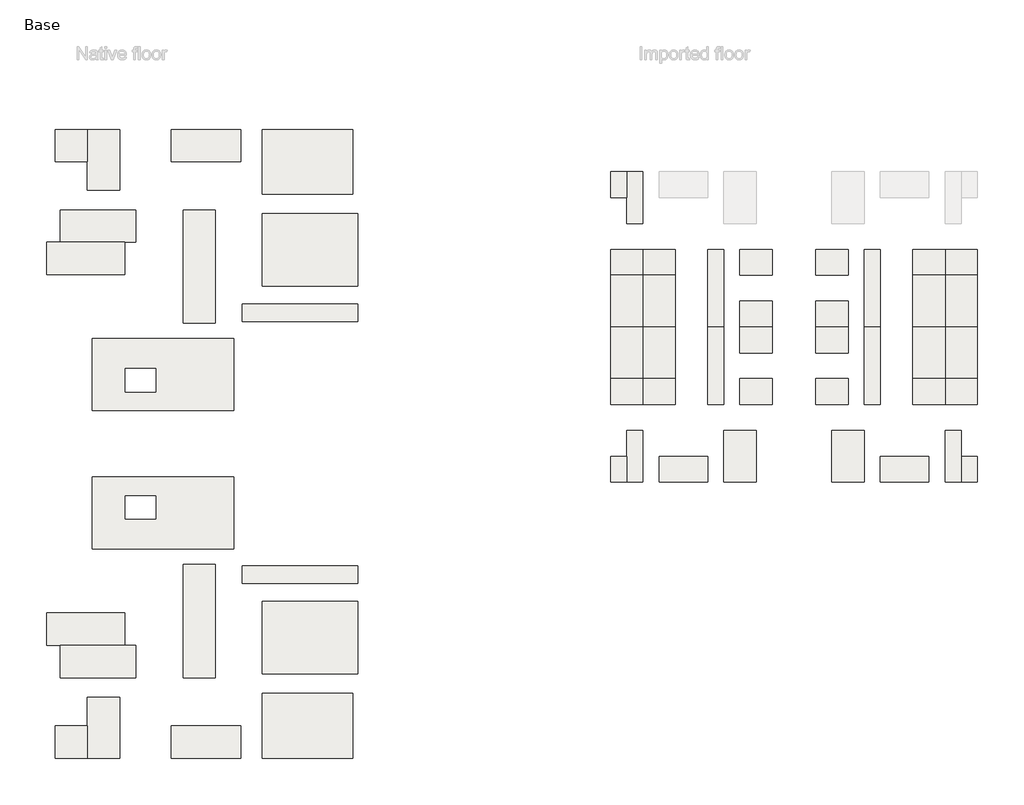
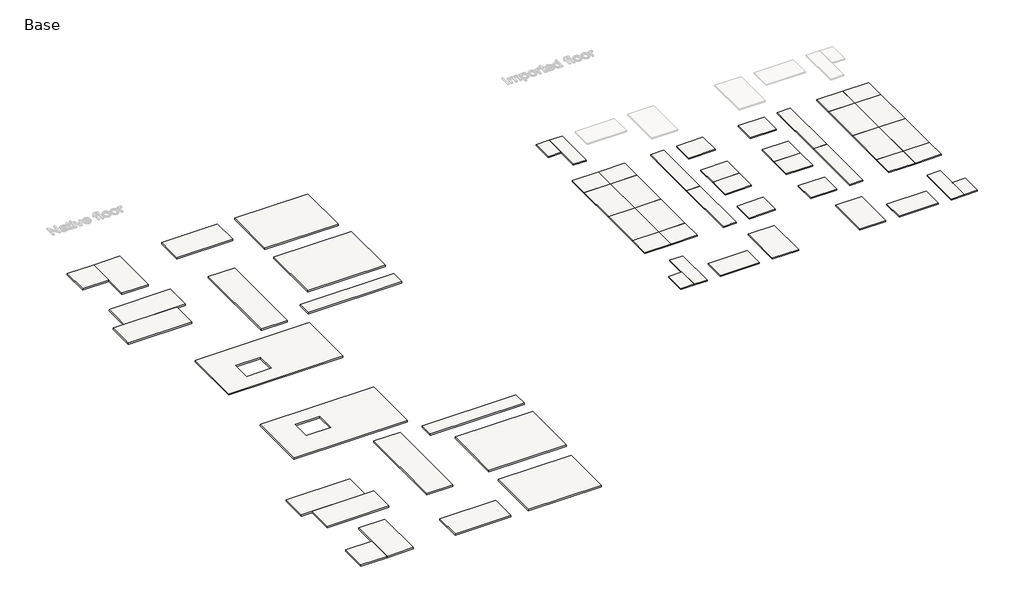
# One storey, part 1 of 3: 58 slabs.
"""IFC4 building model written with IfcOpenShell, lengths in millimetres."""

from ifc_helpers import new_model, si_unit, frame, origin, place, context, project, spatial, polyline, outline, extrude, faceted_brep, element, save

model = new_model("IFC4")

# Units and contexts
model_context = context("Model", 3, world=origin())
ifc_project = project(units=[si_unit("LENGTHUNIT", "METRE", prefix="MILLI")], contexts=[model_context])

# Site, building, storey
site = spatial("IfcSite", under=ifc_project)
building = spatial("IfcBuilding", under=site)
storey = spatial("IfcBuildingStorey", under=building, Name="Base", Elevation=0.0)

# Slabs
placement = place(None, origin())
element("IfcSlab", 1, ObjectType="200mm Conc25 RC_SLAB", at=placement, inside=storey, context=model_context, shape_type="SweptSolid", body=[
    extrude(outline(polyline([(539421.9483934, 4611.8410567), (536921.9483934, 4611.8410567), (536921.9483934, 8611.8410567), (539421.9483934, 8611.8410567), (539421.9483934, 4611.8410567)])), frame((0.0, 0.0, -200.0), z_axis=(0.0, 0.0, 1.0), x_axis=(1.0, 0.0, 0.0)), (0.0, 0.0, 1.0), 200.0),
])
element("IfcSlab", 2, ObjectType="200mm Conc25 RC_SLAB", at=placement, inside=storey, context=model_context, shape_type="Brep", body=[
    faceted_brep([(541921.9483934, 611.8410567, -200.0), (539421.9483934, 611.8410567, -200.0), (539421.9483934, 4611.8410567, -200.0), (539421.9483934, 8611.8410567, -200.0), (541921.9483934, 8611.8410567, -200.0), (541921.9483934, 611.8410567, 0.0), (541921.9483934, 8611.8410567, 0.0), (539421.9483934, 8611.8410567, 0.0), (539421.9483934, 4611.8410567, 0.0), (539421.9483934, 611.8410567, 0.0)], [[[0, 1, 2, 3, 4]], [[5, 6, 7, 8, 9]], [[1, 0, 5, 9]], [[3, 2, 1, 9, 8, 7]], [[4, 3, 7, 6]], [[0, 4, 6, 5]]]),
])
element("IfcSlab", 3, ObjectType="200mm Conc25 RC_SLAB", at=placement, inside=storey, context=model_context, shape_type="SweptSolid", body=[
    extrude(outline(polyline([(541921.9483934, -7388.1589433), (536921.9483934, -7388.1589433), (536921.9483934, -3388.1589433), (541921.9483934, -3388.1589433), (541921.9483934, -7388.1589433)])), frame((0.0, 0.0, -200.0), z_axis=(0.0, 0.0, 1.0), x_axis=(1.0, 0.0, 0.0)), (0.0, 0.0, 1.0), 200.0),
])
element("IfcSlab", 4, ObjectType="200mm Conc25 RC_SLAB", at=placement, inside=storey, context=model_context, shape_type="SweptSolid", body=[
    extrude(outline(polyline([(546921.9483934, -7388.1589433), (541921.9483934, -7388.1589433), (541921.9483934, -3388.1589433), (546921.9483934, -3388.1589433), (546921.9483934, -7388.1589433)])), frame((0.0, 0.0, -200.0), z_axis=(0.0, 0.0, 1.0), x_axis=(1.0, 0.0, 0.0)), (0.0, 0.0, 1.0), 200.0),
])
element("IfcSlab", 5, ObjectType="200mm Conc25 RC_SLAB", at=placement, inside=storey, context=model_context, shape_type="SweptSolid", body=[
    extrude(outline(polyline([(541921.9483934, -15388.1589433), (541921.9483934, -7388.1589433), (546921.9483934, -7388.1589433), (546921.9483934, -15388.1589433), (541921.9483934, -15388.1589433)])), frame((0.0, 0.0, -200.0), z_axis=(0.0, 0.0, 1.0), x_axis=(1.0, 0.0, 0.0)), (0.0, 0.0, 1.0), 200.0),
])
element("IfcSlab", 6, ObjectType="200mm Conc25 RC_SLAB", at=placement, inside=storey, context=model_context, shape_type="SweptSolid", body=[
    extrude(outline(polyline([(541921.9483934, -15388.1589433), (536921.9483934, -15388.1589433), (536921.9483934, -7388.1589433), (541921.9483934, -7388.1589433), (541921.9483934, -15388.1589433)])), frame((0.0, 0.0, -200.0), z_axis=(0.0, 0.0, 1.0), x_axis=(1.0, 0.0, 0.0)), (0.0, 0.0, 1.0), 200.0),
])
element("IfcSlab", 7, ObjectType="200mm Conc25 RC_SLAB", at=placement, inside=storey, context=model_context, shape_type="SweptSolid", body=[
    extrude(outline(polyline([(554421.9483934, -15388.1589433), (551921.9483934, -15388.1589433), (551921.9483934, -3388.1589433), (554421.9483934, -3388.1589433), (554421.9483934, -15388.1589433)])), frame((0.0, 0.0, -200.0), z_axis=(0.0, 0.0, 1.0), x_axis=(1.0, 0.0, 0.0)), (0.0, 0.0, 1.0), 200.0),
])
element("IfcSlab", 8, ObjectType="200mm Conc25 RC_SLAB", at=placement, inside=storey, context=model_context, shape_type="SweptSolid", body=[
    extrude(outline(polyline([(561921.9483934, -7388.1589433), (556921.9483934, -7388.1589433), (556921.9483934, -3388.1589433), (561921.9483934, -3388.1589433), (561921.9483934, -7388.1589433)])), frame((0.0, 0.0, -200.0), z_axis=(0.0, 0.0, 1.0), x_axis=(1.0, 0.0, 0.0)), (0.0, 0.0, 1.0), 200.0),
])
element("IfcSlab", 9, ObjectType="200mm Conc25 RC_SLAB", at=placement, inside=storey, context=model_context, shape_type="SweptSolid", body=[
    extrude(outline(polyline([(561921.9483934, -15388.1589433), (556921.9483934, -15388.1589433), (556921.9483934, -11388.1589433), (561921.9483934, -11388.1589433), (561921.9483934, -15388.1589433)])), frame((0.0, 0.0, -200.0), z_axis=(0.0, 0.0, 1.0), x_axis=(1.0, 0.0, 0.0)), (0.0, 0.0, 1.0), 200.0),
])
element("IfcSlab", 10, ObjectType="200mm Conc25 RC_SLAB", at=placement, inside=storey, context=model_context, shape_type="SweptSolid", body=[
    extrude(outline(polyline([(588636.3880595, -7388.1589433), (588636.3880595, -3388.1589433), (593636.3880595, -3388.1589433), (593636.3880595, -7388.1589433), (588636.3880595, -7388.1589433)])), frame((0.0, 0.0, -200.0), z_axis=(0.0, 0.0, 1.0), x_axis=(1.0, 0.0, 0.0)), (0.0, 0.0, 1.0), 200.0),
])
element("IfcSlab", 11, ObjectType="200mm Conc25 RC_SLAB", at=placement, inside=storey, context=model_context, shape_type="SweptSolid", body=[
    extrude(outline(polyline([(583636.3880595, -7388.1589433), (583636.3880595, -3388.1589433), (588636.3880595, -3388.1589433), (588636.3880595, -7388.1589433), (583636.3880595, -7388.1589433)])), frame((0.0, 0.0, -200.0), z_axis=(0.0, 0.0, 1.0), x_axis=(1.0, 0.0, 0.0)), (0.0, 0.0, 1.0), 200.0),
])
element("IfcSlab", 12, ObjectType="200mm Conc25 RC_SLAB", at=placement, inside=storey, context=model_context, shape_type="SweptSolid", body=[
    extrude(outline(polyline([(588636.3880595, -15388.1589433), (583636.3880595, -15388.1589433), (583636.3880595, -7388.1589433), (588636.3880595, -7388.1589433), (588636.3880595, -15388.1589433)])), frame((0.0, 0.0, -200.0), z_axis=(0.0, 0.0, 1.0), x_axis=(1.0, 0.0, 0.0)), (0.0, 0.0, 1.0), 200.0),
])
element("IfcSlab", 13, ObjectType="200mm Conc25 RC_SLAB", at=placement, inside=storey, context=model_context, shape_type="SweptSolid", body=[
    extrude(outline(polyline([(588636.3880595, -15388.1589433), (588636.3880595, -7388.1589433), (593636.3880595, -7388.1589433), (593636.3880595, -15388.1589433), (588636.3880595, -15388.1589433)])), frame((0.0, 0.0, -200.0), z_axis=(0.0, 0.0, 1.0), x_axis=(1.0, 0.0, 0.0)), (0.0, 0.0, 1.0), 200.0),
])
element("IfcSlab", 14, ObjectType="200mm Conc25 RC_SLAB", at=placement, inside=storey, context=model_context, shape_type="SweptSolid", body=[
    extrude(outline(polyline([(576136.3880595, -15388.1589433), (576136.3880595, -3388.1589433), (578636.3880595, -3388.1589433), (578636.3880595, -15388.1589433), (576136.3880595, -15388.1589433)])), frame((0.0, 0.0, -200.0), z_axis=(0.0, 0.0, 1.0), x_axis=(1.0, 0.0, 0.0)), (0.0, 0.0, 1.0), 200.0),
])
element("IfcSlab", 15, ObjectType="200mm Conc25 RC_SLAB", at=placement, inside=storey, context=model_context, shape_type="SweptSolid", body=[
    extrude(outline(polyline([(568636.3880595, -7388.1589433), (568636.3880595, -3388.1589433), (573636.3880595, -3388.1589433), (573636.3880595, -7388.1589433), (568636.3880595, -7388.1589433)])), frame((0.0, 0.0, -200.0), z_axis=(0.0, 0.0, 1.0), x_axis=(1.0, 0.0, 0.0)), (0.0, 0.0, 1.0), 200.0),
])
element("IfcSlab", 16, ObjectType="200mm Conc25 RC_SLAB", at=placement, inside=storey, context=model_context, shape_type="SweptSolid", body=[
    extrude(outline(polyline([(568636.3880595, -15388.1589433), (568636.3880595, -11388.1589433), (573636.3880595, -11388.1589433), (573636.3880595, -15388.1589433), (568636.3880595, -15388.1589433)])), frame((0.0, 0.0, -200.0), z_axis=(0.0, 0.0, 1.0), x_axis=(1.0, 0.0, 0.0)), (0.0, 0.0, 1.0), 200.0),
])
element("IfcSlab", 17, ObjectType="200mm Conc25 RC_SLAB", at=placement, inside=storey, context=model_context, shape_type="SweptSolid", body=[
    extrude(outline(polyline([(539421.9483934, -35388.1589433), (539421.9483934, -39388.1589433), (536921.9483934, -39388.1589433), (536921.9483934, -35388.1589433), (539421.9483934, -35388.1589433)])), frame((0.0, 0.0, -200.0), z_axis=(0.0, 0.0, 1.0), x_axis=(1.0, 0.0, 0.0)), (0.0, 0.0, 1.0), 200.0),
])
element("IfcSlab", 18, ObjectType="200mm Conc25 RC_SLAB", at=placement, inside=storey, context=model_context, shape_type="Brep", body=[
    faceted_brep([(541921.9483934, -31388.1589433, -200.0), (541921.9483934, -39388.1589433, -200.0), (539421.9483934, -39388.1589433, -200.0), (539421.9483934, -35388.1589433, -200.0), (539421.9483934, -31388.1589433, -200.0), (541921.9483934, -31388.1589433, 0.0), (539421.9483934, -31388.1589433, 0.0), (539421.9483934, -35388.1589433, 0.0), (539421.9483934, -39388.1589433, 0.0), (541921.9483934, -39388.1589433, 0.0)], [[[0, 1, 2, 3, 4]], [[5, 6, 7, 8, 9]], [[0, 4, 6, 5]], [[4, 3, 2, 8, 7, 6]], [[2, 1, 9, 8]], [[1, 0, 5, 9]]]),
])
element("IfcSlab", 19, ObjectType="200mm Conc25 RC_SLAB", at=placement, inside=storey, context=model_context, shape_type="SweptSolid", body=[
    extrude(outline(polyline([(551921.9483934, -35388.1589433), (551921.9483934, -39388.1589433), (544421.9483934, -39388.1589433), (544421.9483934, -35388.1589433), (551921.9483934, -35388.1589433)])), frame((0.0, 0.0, -200.0), z_axis=(0.0, 0.0, 1.0), x_axis=(1.0, 0.0, 0.0)), (0.0, 0.0, 1.0), 200.0),
])
element("IfcSlab", 20, ObjectType="200mm Conc25 RC_SLAB", at=placement, inside=storey, context=model_context, shape_type="SweptSolid", body=[
    extrude(outline(polyline([(554421.9483934, -31388.1589433), (559421.9483934, -31388.1589433), (559421.9483934, -39388.1589433), (554421.9483934, -39388.1589433), (554421.9483934, -31388.1589433)])), frame((0.0, 0.0, -200.0), z_axis=(0.0, 0.0, 1.0), x_axis=(1.0, 0.0, 0.0)), (0.0, 0.0, 1.0), 200.0),
])
element("IfcSlab", 21, ObjectType="200mm Conc25 RC_SLAB", at=placement, inside=storey, context=model_context, shape_type="SweptSolid", body=[
    extrude(outline(polyline([(541921.9483934, -23388.1589433), (541921.9483934, -27388.1589433), (536921.9483934, -27388.1589433), (536921.9483934, -23388.1589433), (541921.9483934, -23388.1589433)])), frame((0.0, 0.0, -200.0), z_axis=(0.0, 0.0, 1.0), x_axis=(1.0, 0.0, 0.0)), (0.0, 0.0, 1.0), 200.0),
])
element("IfcSlab", 22, ObjectType="200mm Conc25 RC_SLAB", at=placement, inside=storey, context=model_context, shape_type="SweptSolid", body=[
    extrude(outline(polyline([(546921.9483934, -23388.1589433), (546921.9483934, -27388.1589433), (541921.9483934, -27388.1589433), (541921.9483934, -23388.1589433), (546921.9483934, -23388.1589433)])), frame((0.0, 0.0, -200.0), z_axis=(0.0, 0.0, 1.0), x_axis=(1.0, 0.0, 0.0)), (0.0, 0.0, 1.0), 200.0),
])
element("IfcSlab", 23, ObjectType="200mm Conc25 RC_SLAB", at=placement, inside=storey, context=model_context, shape_type="SweptSolid", body=[
    extrude(outline(polyline([(541921.9483934, -15388.1589433), (546921.9483934, -15388.1589433), (546921.9483934, -23388.1589433), (541921.9483934, -23388.1589433), (541921.9483934, -15388.1589433)])), frame((0.0, 0.0, -200.0), z_axis=(0.0, 0.0, 1.0), x_axis=(1.0, 0.0, 0.0)), (0.0, 0.0, 1.0), 200.0),
])
element("IfcSlab", 24, ObjectType="200mm Conc25 RC_SLAB", at=placement, inside=storey, context=model_context, shape_type="SweptSolid", body=[
    extrude(outline(polyline([(541921.9483934, -15388.1589433), (541921.9483934, -23388.1589433), (536921.9483934, -23388.1589433), (536921.9483934, -15388.1589433), (541921.9483934, -15388.1589433)])), frame((0.0, 0.0, -200.0), z_axis=(0.0, 0.0, 1.0), x_axis=(1.0, 0.0, 0.0)), (0.0, 0.0, 1.0), 200.0),
])
element("IfcSlab", 25, ObjectType="200mm Conc25 RC_SLAB", at=placement, inside=storey, context=model_context, shape_type="SweptSolid", body=[
    extrude(outline(polyline([(554421.9483934, -15388.1589433), (554421.9483934, -27388.1589433), (551921.9483934, -27388.1589433), (551921.9483934, -15388.1589433), (554421.9483934, -15388.1589433)])), frame((0.0, 0.0, -200.0), z_axis=(0.0, 0.0, 1.0), x_axis=(1.0, 0.0, 0.0)), (0.0, 0.0, 1.0), 200.0),
])
element("IfcSlab", 26, ObjectType="200mm Conc25 RC_SLAB", at=placement, inside=storey, context=model_context, shape_type="SweptSolid", body=[
    extrude(outline(polyline([(561921.9483934, -23388.1589433), (561921.9483934, -27388.1589433), (556921.9483934, -27388.1589433), (556921.9483934, -23388.1589433), (561921.9483934, -23388.1589433)])), frame((0.0, 0.0, -200.0), z_axis=(0.0, 0.0, 1.0), x_axis=(1.0, 0.0, 0.0)), (0.0, 0.0, 1.0), 200.0),
])
element("IfcSlab", 27, ObjectType="200mm Conc25 RC_SLAB", at=placement, inside=storey, context=model_context, shape_type="SweptSolid", body=[
    extrude(outline(polyline([(561921.9483934, -15388.1589433), (561921.9483934, -19388.1589433), (556921.9483934, -19388.1589433), (556921.9483934, -15388.1589433), (561921.9483934, -15388.1589433)])), frame((0.0, 0.0, -200.0), z_axis=(0.0, 0.0, 1.0), x_axis=(1.0, 0.0, 0.0)), (0.0, 0.0, 1.0), 200.0),
])
element("IfcSlab", 28, ObjectType="200mm Conc25 RC_SLAB", at=placement, inside=storey, context=model_context, shape_type="SweptSolid", body=[
    extrude(outline(polyline([(591136.3880595, -35388.1589433), (593636.3880595, -35388.1589433), (593636.3880595, -39388.1589433), (591136.3880595, -39388.1589433), (591136.3880595, -35388.1589433)])), frame((0.0, 0.0, -200.0), z_axis=(0.0, 0.0, 1.0), x_axis=(1.0, 0.0, 0.0)), (0.0, 0.0, 1.0), 200.0),
])
element("IfcSlab", 29, ObjectType="200mm Conc25 RC_SLAB", at=placement, inside=storey, context=model_context, shape_type="Brep", body=[
    faceted_brep([(588636.3880595, -31388.1589433, -200.0), (591136.3880595, -31388.1589433, -200.0), (591136.3880595, -35388.1589433, -200.0), (591136.3880595, -39388.1589433, -200.0), (588636.3880595, -39388.1589433, -200.0), (588636.3880595, -31388.1589433, 0.0), (588636.3880595, -39388.1589433, 0.0), (591136.3880595, -39388.1589433, 0.0), (591136.3880595, -35388.1589433, 0.0), (591136.3880595, -31388.1589433, 0.0)], [[[0, 1, 2, 3, 4]], [[5, 6, 7, 8, 9]], [[1, 0, 5, 9]], [[3, 2, 1, 9, 8, 7]], [[4, 3, 7, 6]], [[0, 4, 6, 5]]]),
])
element("IfcSlab", 30, ObjectType="200mm Conc25 RC_SLAB", at=placement, inside=storey, context=model_context, shape_type="SweptSolid", body=[
    extrude(outline(polyline([(578636.3880595, -35388.1589433), (586136.3880595, -35388.1589433), (586136.3880595, -39388.1589433), (578636.3880595, -39388.1589433), (578636.3880595, -35388.1589433)])), frame((0.0, 0.0, -200.0), z_axis=(0.0, 0.0, 1.0), x_axis=(1.0, 0.0, 0.0)), (0.0, 0.0, 1.0), 200.0),
])
element("IfcSlab", 31, ObjectType="200mm Conc25 RC_SLAB", at=placement, inside=storey, context=model_context, shape_type="SweptSolid", body=[
    extrude(outline(polyline([(576136.3880595, -31388.1589433), (576136.3880595, -39388.1589433), (571136.3880595, -39388.1589433), (571136.3880595, -31388.1589433), (576136.3880595, -31388.1589433)])), frame((0.0, 0.0, -200.0), z_axis=(0.0, 0.0, 1.0), x_axis=(1.0, 0.0, 0.0)), (0.0, 0.0, 1.0), 200.0),
])
element("IfcSlab", 32, ObjectType="200mm Conc25 RC_SLAB", at=placement, inside=storey, context=model_context, shape_type="SweptSolid", body=[
    extrude(outline(polyline([(588636.3880595, -23388.1589433), (593636.3880595, -23388.1589433), (593636.3880595, -27388.1589433), (588636.3880595, -27388.1589433), (588636.3880595, -23388.1589433)])), frame((0.0, 0.0, -200.0), z_axis=(0.0, 0.0, 1.0), x_axis=(1.0, 0.0, 0.0)), (0.0, 0.0, 1.0), 200.0),
])
element("IfcSlab", 33, ObjectType="200mm Conc25 RC_SLAB", at=placement, inside=storey, context=model_context, shape_type="SweptSolid", body=[
    extrude(outline(polyline([(583636.3880595, -23388.1589433), (588636.3880595, -23388.1589433), (588636.3880595, -27388.1589433), (583636.3880595, -27388.1589433), (583636.3880595, -23388.1589433)])), frame((0.0, 0.0, -200.0), z_axis=(0.0, 0.0, 1.0), x_axis=(1.0, 0.0, 0.0)), (0.0, 0.0, 1.0), 200.0),
])
element("IfcSlab", 34, ObjectType="200mm Conc25 RC_SLAB", at=placement, inside=storey, context=model_context, shape_type="SweptSolid", body=[
    extrude(outline(polyline([(588636.3880595, -15388.1589433), (588636.3880595, -23388.1589433), (583636.3880595, -23388.1589433), (583636.3880595, -15388.1589433), (588636.3880595, -15388.1589433)])), frame((0.0, 0.0, -200.0), z_axis=(0.0, 0.0, 1.0), x_axis=(1.0, 0.0, 0.0)), (0.0, 0.0, 1.0), 200.0),
])
element("IfcSlab", 35, ObjectType="200mm Conc25 RC_SLAB", at=placement, inside=storey, context=model_context, shape_type="SweptSolid", body=[
    extrude(outline(polyline([(588636.3880595, -15388.1589433), (593636.3880595, -15388.1589433), (593636.3880595, -23388.1589433), (588636.3880595, -23388.1589433), (588636.3880595, -15388.1589433)])), frame((0.0, 0.0, -200.0), z_axis=(0.0, 0.0, 1.0), x_axis=(1.0, 0.0, 0.0)), (0.0, 0.0, 1.0), 200.0),
])
element("IfcSlab", 36, ObjectType="200mm Conc25 RC_SLAB", at=placement, inside=storey, context=model_context, shape_type="SweptSolid", body=[
    extrude(outline(polyline([(576136.3880595, -15388.1589433), (578636.3880595, -15388.1589433), (578636.3880595, -27388.1589433), (576136.3880595, -27388.1589433), (576136.3880595, -15388.1589433)])), frame((0.0, 0.0, -200.0), z_axis=(0.0, 0.0, 1.0), x_axis=(1.0, 0.0, 0.0)), (0.0, 0.0, 1.0), 200.0),
])
element("IfcSlab", 37, ObjectType="200mm Conc25 RC_SLAB", at=placement, inside=storey, context=model_context, shape_type="SweptSolid", body=[
    extrude(outline(polyline([(568636.3880595, -23388.1589433), (573636.3880595, -23388.1589433), (573636.3880595, -27388.1589433), (568636.3880595, -27388.1589433), (568636.3880595, -23388.1589433)])), frame((0.0, 0.0, -200.0), z_axis=(0.0, 0.0, 1.0), x_axis=(1.0, 0.0, 0.0)), (0.0, 0.0, 1.0), 200.0),
])
element("IfcSlab", 38, ObjectType="200mm Conc25 RC_SLAB", at=placement, inside=storey, context=model_context, shape_type="SweptSolid", body=[
    extrude(outline(polyline([(568636.3880595, -15388.1589433), (573636.3880595, -15388.1589433), (573636.3880595, -19388.1589433), (568636.3880595, -19388.1589433), (568636.3880595, -15388.1589433)])), frame((0.0, 0.0, -200.0), z_axis=(0.0, 0.0, 1.0), x_axis=(1.0, 0.0, 0.0)), (0.0, 0.0, 1.0), 200.0),
])
element("IfcSlab", 39, ObjectType="Generic 300mm", at=placement, inside=storey, context=model_context, shape_type="SweptSolid", body=[
    extrude(outline(polyline([(456066.413896, 15157.1407509), (456066.413896, 10157.1407509), (451066.413896, 10157.1407509), (451066.413896, 15157.1407509), (456066.413896, 15157.1407509)])), frame((0.0, 0.0, -300.0), z_axis=(0.0, 0.0, 1.0), x_axis=(1.0, 0.0, 0.0)), (0.0, 0.0, 1.0), 300.0),
])
element("IfcSlab", 40, ObjectType="Generic 300mm", at=placement, inside=storey, context=model_context, shape_type="SweptSolid", body=[
    extrude(outline(polyline([(461066.413896, 15157.1407509), (461066.413896, 5757.1407509), (456066.413896, 5757.1407509), (456066.413896, 15157.1407509), (461066.413896, 15157.1407509)])), frame((0.0, 0.0, -300.0), z_axis=(0.0, 0.0, 1.0), x_axis=(1.0, 0.0, 0.0)), (0.0, 0.0, 1.0), 300.0),
])
element("IfcSlab", 41, ObjectType="Generic 300mm", at=placement, inside=storey, context=model_context, shape_type="SweptSolid", body=[
    extrude(outline(polyline([(479766.413896, 15157.1407509), (479766.413896, 10157.1407509), (469066.413896, 10157.1407509), (469066.413896, 15157.1407509), (479766.413896, 15157.1407509)])), frame((0.0, 0.0, -300.0), z_axis=(0.0, 0.0, 1.0), x_axis=(1.0, 0.0, 0.0)), (0.0, 0.0, 1.0), 300.0),
])
element("IfcSlab", 42, ObjectType="Generic 300mm", at=placement, inside=storey, context=model_context, shape_type="SweptSolid", body=[
    extrude(outline(polyline([(497066.413896, 15157.1407509), (497066.413896, 5157.1407509), (483066.413896, 5157.1407509), (483066.413896, 15157.1407509), (497066.413896, 15157.1407509)])), frame((0.0, 0.0, -300.0), z_axis=(0.0, 0.0, 1.0), x_axis=(1.0, 0.0, 0.0)), (0.0, 0.0, 1.0), 300.0),
])
element("IfcSlab", 43, ObjectType="Generic 300mm", at=placement, inside=storey, context=model_context, shape_type="SweptSolid", body=[
    extrude(outline(polyline([(497866.413896, 2157.1407509), (497866.413896, -9042.8592491), (483066.413896, -9042.8592491), (483066.413896, 2157.1407509), (497866.413896, 2157.1407509)])), frame((0.0, 0.0, -300.0), z_axis=(0.0, 0.0, 1.0), x_axis=(1.0, 0.0, 0.0)), (0.0, 0.0, 1.0), 300.0),
])
element("IfcSlab", 44, ObjectType="Generic 300mm", at=placement, inside=storey, context=model_context, shape_type="SweptSolid", body=[
    extrude(outline(polyline([(497866.413896, -11842.8592491), (497866.413896, -14542.8592491), (479966.413896, -14542.8592491), (479966.413896, -11842.8592491), (497866.413896, -11842.8592491)])), frame((0.0, 0.0, -300.0), z_axis=(0.0, 0.0, 1.0), x_axis=(1.0, 0.0, 0.0)), (0.0, 0.0, 1.0), 300.0),
])
element("IfcSlab", 45, ObjectType="Generic 300mm", at=placement, inside=storey, context=model_context, shape_type="SweptSolid", body=[
    extrude(outline(polyline([(475853.4493119, 2711.9851702), (475853.4493119, -14788.0148298), (470853.4493119, -14788.0148298), (470853.4493119, 2711.9851702), (475853.4493119, 2711.9851702)])), frame((0.0, 0.0, -300.0), z_axis=(0.0, 0.0, 1.0), x_axis=(1.0, 0.0, 0.0)), (0.0, 0.0, 1.0), 300.0),
])
element("IfcSlab", 46, ObjectType="Generic 300mm", at=placement, inside=storey, context=model_context, shape_type="SweptSolid", body=[
    extrude(outline(polyline([(463553.4493119, 2711.9851702), (463553.4493119, -2288.0148298), (451853.4493119, -2288.0148298), (451853.4493119, 2711.9851702), (463553.4493119, 2711.9851702)])), frame((0.0, 0.0, -300.0), z_axis=(0.0, 0.0, 1.0), x_axis=(1.0, 0.0, 0.0)), (0.0, 0.0, 1.0), 300.0),
])
element("IfcSlab", 47, ObjectType="Generic 300mm", at=placement, inside=storey, context=model_context, shape_type="SweptSolid", body=[
    extrude(outline(polyline([(461853.4493119, -2288.0148298), (461853.4493119, -7288.0148298), (449753.4493119, -7288.0148298), (449753.4493119, -2288.0148298), (461853.4493119, -2288.0148298)])), frame((0.0, 0.0, -300.0), z_axis=(0.0, 0.0, 1.0), x_axis=(1.0, 0.0, 0.0)), (0.0, 0.0, 1.0), 300.0),
])
element("IfcSlab", 48, ObjectType="Generic 300mm", at=placement, inside=storey, context=model_context, shape_type="SweptSolid", body=[
    extrude(outline(polyline([(478653.4493119, -17188.0148298), (478653.4493119, -28288.0148298), (456853.4493119, -28288.0148298), (456853.4493119, -17188.0148298), (478653.4493119, -17188.0148298)]), holes=[polyline([(466615.6395933, -21809.7778349), (461915.6395933, -21809.7778349), (461915.6395933, -25409.7778349), (466615.6395933, -25409.7778349), (466615.6395933, -21809.7778349)])]), frame((0.0, 0.0, -300.0), z_axis=(0.0, 0.0, 1.0), x_axis=(1.0, 0.0, 0.0)), (0.0, 0.0, 1.0), 300.0),
])
element("IfcSlab", 49, ObjectType="Generic 300mm", at=placement, inside=storey, context=model_context, shape_type="SweptSolid", body=[
    extrude(outline(polyline([(456066.413896, -82061.3486343), (451066.413896, -82061.3486343), (451066.413896, -77061.3486343), (456066.413896, -77061.3486343), (456066.413896, -82061.3486343)])), frame((0.0, 0.0, -300.0), z_axis=(0.0, 0.0, 1.0), x_axis=(1.0, 0.0, 0.0)), (0.0, 0.0, 1.0), 300.0),
])
element("IfcSlab", 50, ObjectType="Generic 300mm", at=placement, inside=storey, context=model_context, shape_type="SweptSolid", body=[
    extrude(outline(polyline([(461066.413896, -82061.3486343), (456066.413896, -82061.3486343), (456066.413896, -72661.3486343), (461066.413896, -72661.3486343), (461066.413896, -82061.3486343)])), frame((0.0, 0.0, -300.0), z_axis=(0.0, 0.0, 1.0), x_axis=(1.0, 0.0, 0.0)), (0.0, 0.0, 1.0), 300.0),
])
element("IfcSlab", 51, ObjectType="Generic 300mm", at=placement, inside=storey, context=model_context, shape_type="SweptSolid", body=[
    extrude(outline(polyline([(479766.413896, -82061.3486343), (469066.413896, -82061.3486343), (469066.413896, -77061.3486343), (479766.413896, -77061.3486343), (479766.413896, -82061.3486343)])), frame((0.0, 0.0, -300.0), z_axis=(0.0, 0.0, 1.0), x_axis=(1.0, 0.0, 0.0)), (0.0, 0.0, 1.0), 300.0),
])
element("IfcSlab", 52, ObjectType="Generic 300mm", at=placement, inside=storey, context=model_context, shape_type="SweptSolid", body=[
    extrude(outline(polyline([(497066.413896, -82061.3486343), (483066.413896, -82061.3486343), (483066.413896, -72061.3486343), (497066.413896, -72061.3486343), (497066.413896, -82061.3486343)])), frame((0.0, 0.0, -300.0), z_axis=(0.0, 0.0, 1.0), x_axis=(1.0, 0.0, 0.0)), (0.0, 0.0, 1.0), 300.0),
])
element("IfcSlab", 53, ObjectType="Generic 300mm", at=placement, inside=storey, context=model_context, shape_type="SweptSolid", body=[
    extrude(outline(polyline([(497866.413896, -69061.3486343), (483066.413896, -69061.3486343), (483066.413896, -57861.3486343), (497866.413896, -57861.3486343), (497866.413896, -69061.3486343)])), frame((0.0, 0.0, -300.0), z_axis=(0.0, 0.0, 1.0), x_axis=(1.0, 0.0, 0.0)), (0.0, 0.0, 1.0), 300.0),
])
element("IfcSlab", 54, ObjectType="Generic 300mm", at=placement, inside=storey, context=model_context, shape_type="SweptSolid", body=[
    extrude(outline(polyline([(497866.413896, -55061.3486343), (479966.413896, -55061.3486343), (479966.413896, -52361.3486343), (497866.413896, -52361.3486343), (497866.413896, -55061.3486343)])), frame((0.0, 0.0, -300.0), z_axis=(0.0, 0.0, 1.0), x_axis=(1.0, 0.0, 0.0)), (0.0, 0.0, 1.0), 300.0),
])
element("IfcSlab", 55, ObjectType="Generic 300mm", at=placement, inside=storey, context=model_context, shape_type="SweptSolid", body=[
    extrude(outline(polyline([(475853.4493119, -69616.1930535), (470853.4493119, -69616.1930535), (470853.4493119, -52116.1930535), (475853.4493119, -52116.1930535), (475853.4493119, -69616.1930535)])), frame((0.0, 0.0, -300.0), z_axis=(0.0, 0.0, 1.0), x_axis=(1.0, 0.0, 0.0)), (0.0, 0.0, 1.0), 300.0),
])
element("IfcSlab", 56, ObjectType="Generic 300mm", at=placement, inside=storey, context=model_context, shape_type="SweptSolid", body=[
    extrude(outline(polyline([(463553.4493119, -69616.1930535), (451853.4493119, -69616.1930535), (451853.4493119, -64616.1930535), (463553.4493119, -64616.1930535), (463553.4493119, -69616.1930535)])), frame((0.0, 0.0, -300.0), z_axis=(0.0, 0.0, 1.0), x_axis=(1.0, 0.0, 0.0)), (0.0, 0.0, 1.0), 300.0),
])
element("IfcSlab", 57, ObjectType="Generic 300mm", at=placement, inside=storey, context=model_context, shape_type="SweptSolid", body=[
    extrude(outline(polyline([(461853.4493119, -64616.1930535), (449753.4493119, -64616.1930535), (449753.4493119, -59616.1930535), (461853.4493119, -59616.1930535), (461853.4493119, -64616.1930535)])), frame((0.0, 0.0, -300.0), z_axis=(0.0, 0.0, 1.0), x_axis=(1.0, 0.0, 0.0)), (0.0, 0.0, 1.0), 300.0),
])
element("IfcSlab", 58, ObjectType="Generic 300mm", at=placement, inside=storey, context=model_context, shape_type="SweptSolid", body=[
    extrude(outline(polyline([(478653.4493119, -49716.1930535), (456853.4493119, -49716.1930535), (456853.4493119, -38616.1930535), (478653.4493119, -38616.1930535), (478653.4493119, -49716.1930535)]), holes=[polyline([(466615.6395933, -45094.4300484), (466615.6395933, -41494.4300484), (461915.6395933, -41494.4300484), (461915.6395933, -45094.4300484), (466615.6395933, -45094.4300484)])]), frame((0.0, 0.0, -300.0), z_axis=(0.0, 0.0, 1.0), x_axis=(1.0, 0.0, 0.0)), (0.0, 0.0, 1.0), 300.0),
])

save(model, "model.ifc")
